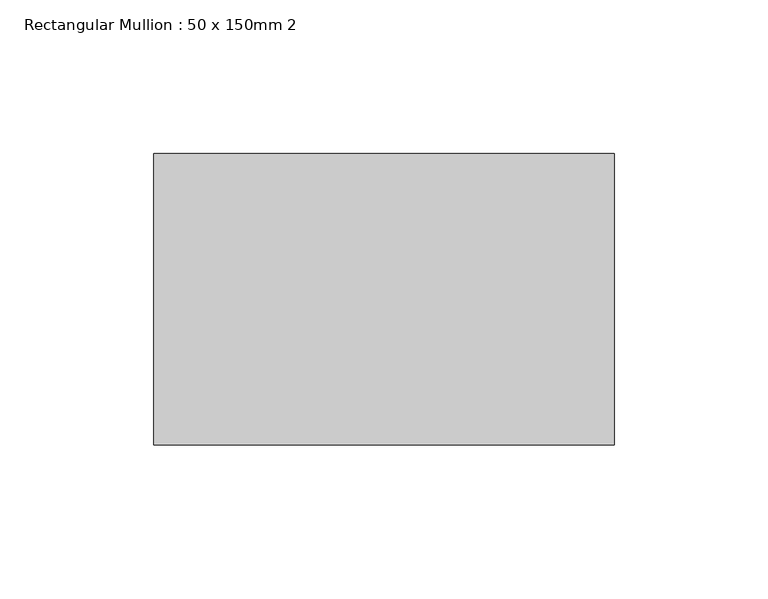
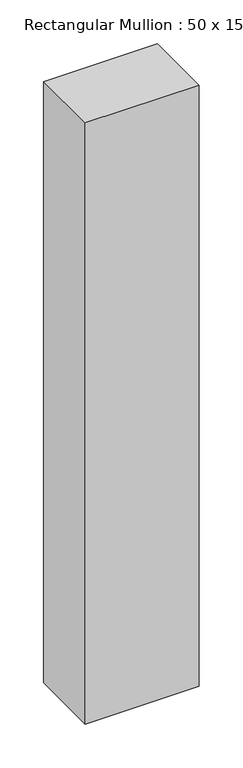
"""IFC4 building model written with IfcOpenShell, lengths in millimetres: member geometry, Rectangular Mullion : 50 x 150mm 2."""

from ifc_helpers import new_model, si_unit, frame, origin, place, context, project, spatial, polyline, outline, extrude, source, transform, mapped, element, save


def rectangular_mullion_50_x_150mm_2_51c0aeeb(model_context):
    return source(origin(), model_context, "Body", "SweptSolid", [
        extrude(outline(polyline([(0.0, 47.5), (0.0, -47.5), (-150.0, -47.5), (-150.0, 47.5), (0.0, 47.5)])), frame((0.0, 0.0, -837.5000005), z_axis=(0.0, 0.0, 1.0), x_axis=(1.0, 0.0, 0.0)), (0.0, 0.0, 1.0), 837.5000005),
    ])


if __name__ == "__main__":
    model = new_model("IFC4")
    model_context = context("Model", 3, world=origin())
    ifc_project = project(units=[si_unit("LENGTHUNIT", "METRE", prefix="MILLI")], contexts=[model_context])
    site = spatial("IfcSite", under=ifc_project)
    building = spatial("IfcBuilding", under=site)
    placement = place(None, origin())
    rectangular_mullion_50_x_150mm_2_shape = rectangular_mullion_50_x_150mm_2_51c0aeeb(model_context)
    element("IfcMember", 1, ObjectType="Rectangular Mullion : 50 x 150mm 2", at=placement, inside=building, context=model_context, shape_type="MappedRepresentation", body=[
        mapped(rectangular_mullion_50_x_150mm_2_shape, transform((0.0, 0.0, 0.0), x_axis=(1.0, 0.0, 0.0), y_axis=(0.0, 1.0, 0.0), z_axis=(0.0, 0.0, 1.0))),
    ])
    save(model, "model.ifc")
